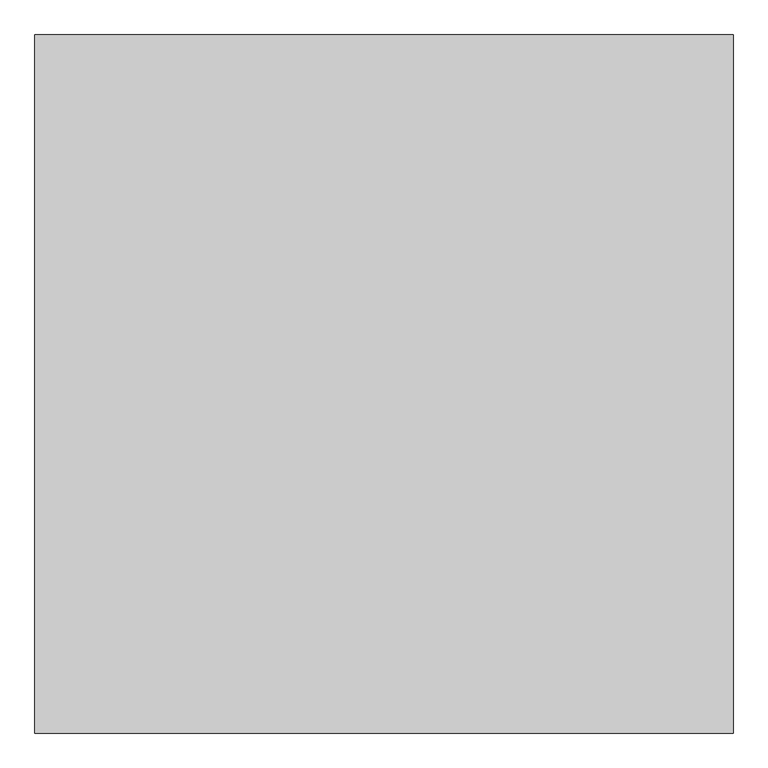
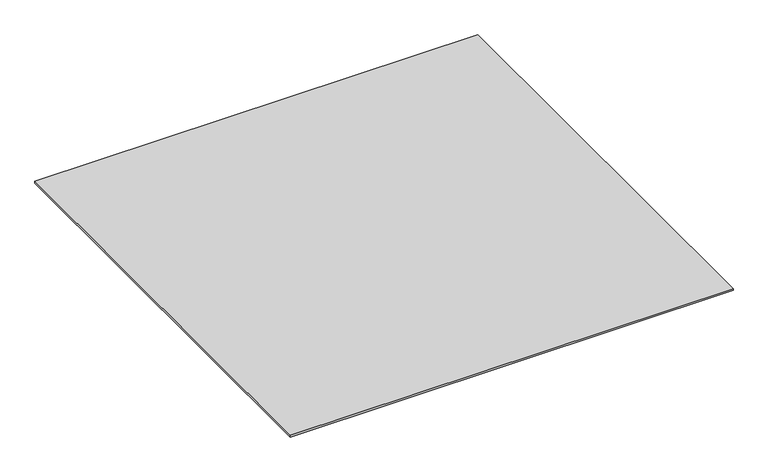
"""IFC4 building model written with IfcOpenShell, lengths in millimetres: proxy geometry."""

from ifc_helpers import new_model, si_unit, origin, origin_with_axes, place, context, project, spatial, polyline, outline, extrude, source, transform, mapped, element, save


def generic_models_f302616e(model_context):
    return source(origin(), model_context, "Body", "SweptSolid", [
        extrude(outline(polyline([(-5796.9237868, -22287.355679), (-5796.9237868, -23287.355679), (-6796.9237868, -23287.355679), (-6796.9237868, -22287.355679), (-5796.9237868, -22287.355679)])), origin_with_axes(), (0.0, 0.0, 1.0), 4.0),
    ])


if __name__ == "__main__":
    model = new_model("IFC4")
    model_context = context("Model", 3, world=origin())
    ifc_project = project(units=[si_unit("LENGTHUNIT", "METRE", prefix="MILLI")], contexts=[model_context])
    site = spatial("IfcSite", under=ifc_project)
    building = spatial("IfcBuilding", under=site)
    placement = place(None, origin())
    generic_models_shape = generic_models_f302616e(model_context)
    element("IfcBuildingElementProxy", 1, Name="Generic Models", at=placement, inside=building, context=model_context, shape_type="MappedRepresentation", body=[
        mapped(generic_models_shape, transform((0.0, 0.0, 0.0), x_axis=(1.0, 0.0, 0.0), y_axis=(0.0, 1.0, 0.0), z_axis=(0.0, 0.0, 1.0))),
    ])
    save(model, "model.ifc")
